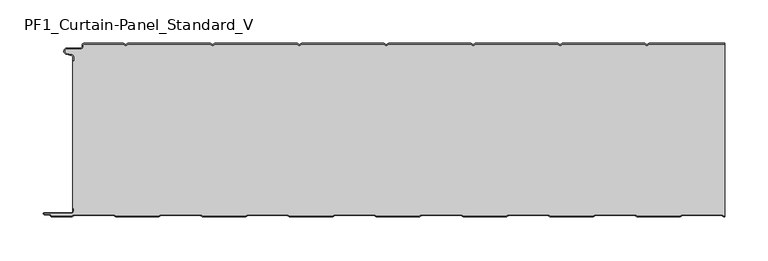
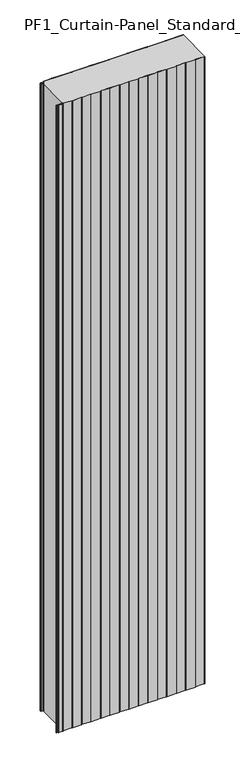
"""IFC4 building model written with IfcOpenShell, lengths in millimetres: plate geometry, PF1_Curtain-Panel_Standard_V."""

from ifc_helpers import new_model, si_unit, point, frame_2d, origin, origin_with_axes, place, context, project, spatial, polyline, circle_curve, trimmed, segment, composite_curve, outline, extrude, source, transform, mapped, element, save


def pf1_curtain_panel_standard_v_bc85fdb5(model_context):
    return source(origin(), model_context, "Body", "SweptSolid", [
        extrude(outline(composite_curve([segment(trimmed(circle_curve(frame_2d((-377.0, -15.878557)), 2.0), [point((-375.0, -15.878557))], [point((-376.5500978, -13.9298169))], True, "CARTESIAN"), True, "CONTINUOUS"), segment(polyline([(-376.5500978, -13.9298169), (-382.7098239, -12.507732)]), True, "CONTINUOUS"), segment(trimmed(circle_curve(frame_2d((-381.9, -9.0)), 3.6), [point((-382.7098239, -12.507732))], [point((-381.9, -5.4))], False, "CARTESIAN"), True, "CONTINUOUS"), segment(polyline([(-381.9, -5.4), (-366.4, -5.4)]), True, "CONTINUOUS"), segment(trimmed(circle_curve(frame_2d((-366.4, -3.4)), 2.0), [point((-366.4, -5.4))], [point((-364.4, -3.4))], True, "CARTESIAN"), True, "CONTINUOUS"), segment(polyline([(-364.4, -3.4), (-364.4, -2.0)]), True, "CONTINUOUS"), segment(trimmed(circle_curve(frame_2d((-362.4, -2.0)), 2.0), [point((-364.4, -2.0))], [point((-362.4, 0.0))], False, "CARTESIAN"), True, "CONTINUOUS"), segment(polyline([(-362.4, 0.0), (-317.0999995, 0.0), (-314.4, -1.5588455), (-311.7000005, 0.0), (-217.0999995, 0.0), (-214.4, -1.5588455), (-211.7000005, 0.0), (-117.0999995, 0.0), (-114.4, -1.5588455), (-111.7000005, 0.0), (-17.0999995, 0.0), (-14.4, -1.5588455), (-11.7000005, 0.0), (82.9000005, 0.0), (85.6, -1.5588455), (88.2999995, 0.0), (182.9000005, 0.0), (185.6, -1.5588455), (188.2999995, 0.0), (282.9000005, 0.0), (285.6, -1.5588455), (288.2999995, 0.0), (375.0, 0.0), (375.0, -0.8), (288.5143588, -0.8), (285.6, -2.482606), (282.6856412, -0.8), (188.5143588, -0.8), (185.6, -2.482606), (182.6856412, -0.8), (88.5143588, -0.8), (85.6, -2.482606), (82.6856412, -0.8), (-11.4856412, -0.8), (-14.4, -2.482606), (-17.3143588, -0.8), (-111.4856412, -0.8), (-114.4, -2.482606), (-117.3143588, -0.8), (-211.4856412, -0.8), (-214.4, -2.482606), (-217.3143588, -0.8), (-311.4856412, -0.8), (-314.4, -2.482606), (-317.3143588, -0.8), (-362.4, -0.8)]), True, "CONTINUOUS"), segment(trimmed(circle_curve(frame_2d((-362.4, -2.0)), 1.2), [point((-362.4, -0.8))], [point((-363.6, -2.0))], True, "CARTESIAN"), True, "CONTINUOUS"), segment(polyline([(-363.6, -2.0), (-363.6, -3.4)]), True, "CONTINUOUS"), segment(trimmed(circle_curve(frame_2d((-366.4, -3.4)), 2.8), [point((-363.6, -3.4))], [point((-366.4, -6.2))], False, "CARTESIAN"), True, "CONTINUOUS"), segment(polyline([(-366.4, -6.2), (-381.9, -6.2)]), True, "CONTINUOUS"), segment(trimmed(circle_curve(frame_2d((-381.9, -9.0)), 2.8), [point((-381.9, -6.2))], [point((-382.529863, -11.7282362))], True, "CARTESIAN"), True, "CONTINUOUS"), segment(polyline([(-382.529863, -11.7282362), (-376.370137, -13.150321)]), True, "CONTINUOUS"), segment(trimmed(circle_curve(frame_2d((-377.0, -15.878557)), 2.8), [point((-376.370137, -13.150321))], [point((-374.2, -15.878557))], False, "CARTESIAN"), True, "CONTINUOUS"), segment(polyline([(-374.2, -15.878557), (-374.2, -20.0), (-375.0, -20.0), (-375.0, -15.878557)]), True, "CONTINUOUS")], self_intersect=False)), origin_with_axes(), (0.0, 0.0, 1.0), 3500.0),
        extrude(outline(composite_curve([segment(polyline([(-374.2, -190.0), (-375.0, -190.0), (-375.0, -20.0), (-374.2, -20.0), (-374.2, -15.878557)]), True, "CONTINUOUS"), segment(trimmed(circle_curve(frame_2d((-377.0, -15.878557)), 2.8), [point((-374.2, -15.878557))], [point((-376.370137, -13.1503208))], True, "CARTESIAN"), True, "CONTINUOUS"), segment(polyline([(-376.370137, -13.1503208), (-382.529863, -11.7282362)]), True, "CONTINUOUS"), segment(trimmed(circle_curve(frame_2d((-381.9, -9.0)), 2.8), [point((-382.529863, -11.7282362))], [point((-381.9, -6.2))], False, "CARTESIAN"), True, "CONTINUOUS"), segment(polyline([(-381.9, -6.2), (-366.4, -6.2)]), True, "CONTINUOUS"), segment(trimmed(circle_curve(frame_2d((-366.4, -3.4)), 2.8), [point((-366.4, -6.2))], [point((-363.6, -3.4))], True, "CARTESIAN"), True, "CONTINUOUS"), segment(polyline([(-363.6, -3.4), (-363.6, -2.0)]), True, "CONTINUOUS"), segment(trimmed(circle_curve(frame_2d((-362.4, -2.0)), 1.2), [point((-363.6, -2.0))], [point((-362.4, -0.8))], False, "CARTESIAN"), True, "CONTINUOUS"), segment(polyline([(-362.4, -0.8), (-317.3143588, -0.8), (-314.4, -2.482606), (-311.4856412, -0.8), (-217.3143588, -0.8), (-214.4, -2.482606), (-211.4856412, -0.8), (-117.3143588, -0.8), (-114.4, -2.482606), (-111.4856412, -0.8), (-17.3143588, -0.8), (-14.4, -2.482606), (-11.4856412, -0.8), (82.6856412, -0.8), (85.6, -2.482606), (88.5143588, -0.8), (182.6856412, -0.8), (185.6, -2.482606), (188.5143588, -0.8), (282.6856412, -0.8), (285.6, -2.482606), (288.5143588, -0.8), (375.0, -0.8), (375.0, -199.2), (374.2152562, -199.2), (371.6171786, -197.7), (326.3884624, -197.7), (323.7903848, -199.2), (274.2152562, -199.2), (271.6171786, -197.7), (226.3884624, -197.7), (223.7903848, -199.2), (174.2152562, -199.2), (171.6171786, -197.7), (126.3884624, -197.7), (123.7903848, -199.2), (74.2152562, -199.2), (71.6171786, -197.7), (26.3884624, -197.7), (23.7903848, -199.2), (-25.7847438, -199.2), (-28.3828214, -197.7), (-73.6115376, -197.7), (-76.2096152, -199.2), (-125.7847438, -199.2), (-128.3828214, -197.7), (-173.6115376, -197.7), (-176.2096152, -199.2), (-225.7847438, -199.2), (-228.3828214, -197.7), (-273.6115376, -197.7), (-276.2096152, -199.2), (-325.7847438, -199.2), (-328.3828214, -197.7), (-373.6115376, -197.7), (-376.2096152, -199.2), (-399.4, -199.2)]), True, "CONTINUOUS"), segment(trimmed(circle_curve(frame_2d((-399.4, -198.4)), 0.8), [point((-399.4, -199.2))], [point((-400.2, -198.4))], False, "CARTESIAN"), True, "CONTINUOUS"), segment(trimmed(circle_curve(frame_2d((-401.9, -198.6133333)), 1.7133333), [point((-400.2, -198.4))], [point((-401.9, -196.9))], True, "CARTESIAN"), True, "CONTINUOUS"), segment(polyline([(-401.9, -196.9), (-407.8700312, -196.9)]), True, "CONTINUOUS"), segment(trimmed(circle_curve(frame_2d((-407.8700312, -196.6)), 0.3), [point((-407.8700312, -196.9))], [point((-407.8700312, -196.3))], False, "CARTESIAN"), True, "CONTINUOUS"), segment(polyline([(-407.8700312, -196.3), (-377.0, -196.3)]), True, "CONTINUOUS"), segment(trimmed(circle_curve(frame_2d((-377.0, -193.5)), 2.8), [point((-377.0, -196.3))], [point((-374.2, -193.5))], True, "CARTESIAN"), True, "CONTINUOUS"), segment(polyline([(-374.2, -193.5), (-374.2, -190.0)]), True, "CONTINUOUS")], self_intersect=False)), origin_with_axes(), (0.0, 0.0, 1.0), 3500.0),
        extrude(outline(composite_curve([segment(polyline([(-375.0, -190.0), (-374.2, -190.0), (-374.2, -193.5)]), True, "CONTINUOUS"), segment(trimmed(circle_curve(frame_2d((-377.0, -193.5)), 2.8), [point((-374.2, -193.5))], [point((-377.0, -196.3))], False, "CARTESIAN"), True, "CONTINUOUS"), segment(polyline([(-377.0, -196.3), (-407.8700312, -196.3)]), True, "CONTINUOUS"), segment(trimmed(circle_curve(frame_2d((-407.8700312, -196.6)), 0.3), [point((-407.8700312, -196.3))], [point((-407.8700312, -196.9))], True, "CARTESIAN"), True, "CONTINUOUS"), segment(polyline([(-407.8700312, -196.9), (-401.9, -196.9)]), True, "CONTINUOUS"), segment(trimmed(circle_curve(frame_2d((-401.9, -198.6133333)), 1.7133333), [point((-401.9, -196.9))], [point((-400.2, -198.4))], False, "CARTESIAN"), True, "CONTINUOUS"), segment(trimmed(circle_curve(frame_2d((-399.4, -198.4)), 0.8), [point((-400.2, -198.4))], [point((-399.4, -199.2))], True, "CARTESIAN"), True, "CONTINUOUS"), segment(polyline([(-399.4, -199.2), (-376.2096152, -199.2), (-373.6115376, -197.7), (-328.3828214, -197.7), (-325.7847438, -199.2), (-276.2096152, -199.2), (-273.6115376, -197.7), (-228.3828214, -197.7), (-225.7847438, -199.2), (-176.2096152, -199.2), (-173.6115376, -197.7), (-128.3828214, -197.7), (-125.7847438, -199.2), (-76.2096152, -199.2), (-73.6115376, -197.7), (-28.3828214, -197.7), (-25.7847438, -199.2), (23.7903848, -199.2), (26.3884624, -197.7), (71.6171786, -197.7), (74.2152562, -199.2), (123.7903848, -199.2), (126.3884624, -197.7), (171.6171786, -197.7), (174.2152562, -199.2), (223.7903848, -199.2), (226.3884624, -197.7), (271.6171786, -197.7), (274.2152562, -199.2), (323.7903848, -199.2), (326.3884624, -197.7), (371.6171786, -197.7), (374.2152562, -199.2), (375.0, -199.2), (375.0, -200.0), (374.0008969, -200.0), (371.4028193, -198.5), (326.6028217, -198.5), (324.0047441, -200.0), (274.0008969, -200.0), (271.4028193, -198.5), (226.6028217, -198.5), (224.0047441, -200.0), (174.0008969, -200.0), (171.4028193, -198.5), (126.6028217, -198.5), (124.0047441, -200.0), (74.0008969, -200.0), (71.4028193, -198.5), (26.6028217, -198.5), (24.0047441, -200.0), (-25.9991031, -200.0), (-28.5971807, -198.5), (-73.3971783, -198.5), (-75.9952559, -200.0), (-125.9991031, -200.0), (-128.5971807, -198.5), (-173.3971783, -198.5), (-175.9952559, -200.0), (-225.9991031, -200.0), (-228.5971807, -198.5), (-273.3971783, -198.5), (-275.9952559, -200.0), (-325.9991031, -200.0), (-328.5971807, -198.5), (-373.3971783, -198.5), (-375.9952559, -200.0), (-399.4, -200.0)]), True, "CONTINUOUS"), segment(trimmed(circle_curve(frame_2d((-399.4, -198.4)), 1.6), [point((-399.4, -200.0))], [point((-401.0, -198.4))], False, "CARTESIAN"), True, "CONTINUOUS"), segment(trimmed(circle_curve(frame_2d((-401.9, -198.4)), 0.9), [point((-401.0, -198.4))], [point((-401.9, -197.5))], True, "CARTESIAN"), True, "CONTINUOUS"), segment(polyline([(-401.9, -197.5), (-408.0, -197.5)]), True, "CONTINUOUS"), segment(trimmed(circle_curve(frame_2d((-408.0, -196.5)), 1.0), [point((-408.0, -197.5))], [point((-408.0, -195.5))], False, "CARTESIAN"), True, "CONTINUOUS"), segment(polyline([(-408.0, -195.5), (-377.0, -195.5)]), True, "CONTINUOUS"), segment(trimmed(circle_curve(frame_2d((-377.0, -193.5)), 2.0), [point((-377.0, -195.5))], [point((-375.0, -193.5))], True, "CARTESIAN"), True, "CONTINUOUS"), segment(polyline([(-375.0, -193.5), (-375.0, -190.0)]), True, "CONTINUOUS")], self_intersect=False)), origin_with_axes(), (0.0, 0.0, 1.0), 3500.0),
    ])


if __name__ == "__main__":
    model = new_model("IFC4")
    model_context = context("Model", 3, world=origin())
    ifc_project = project(units=[si_unit("LENGTHUNIT", "METRE", prefix="MILLI")], contexts=[model_context])
    site = spatial("IfcSite", under=ifc_project)
    building = spatial("IfcBuilding", under=site)
    placement = place(None, origin())
    pf1_curtain_panel_standard_v_shape = pf1_curtain_panel_standard_v_bc85fdb5(model_context)
    element("IfcPlate", 1, ObjectType="PF1_Curtain-Panel_Standard_V", at=placement, inside=building, context=model_context, shape_type="MappedRepresentation", body=[
        mapped(pf1_curtain_panel_standard_v_shape, transform((0.0, 0.0, 0.0), x_axis=(1.0, 0.0, 0.0), y_axis=(0.0, 1.0, 0.0), z_axis=(0.0, 0.0, 1.0))),
    ])
    save(model, "model.ifc")
